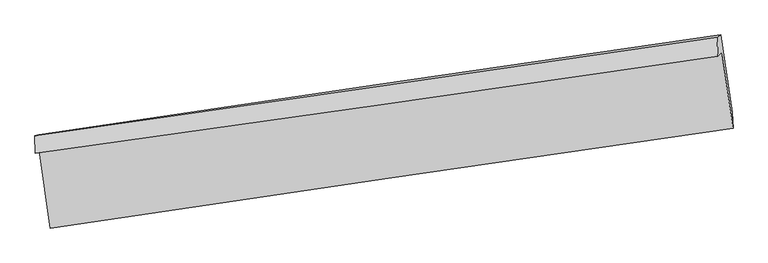
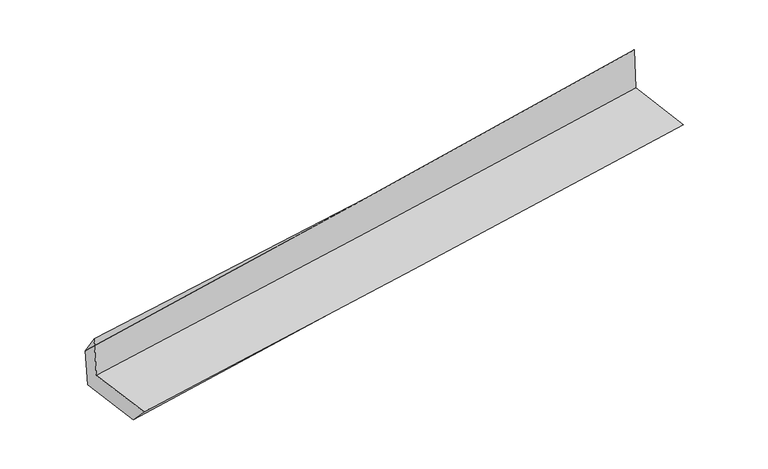
"""IFC4 building model written with IfcOpenShell, lengths in millimetres: proxy geometry."""

from ifc_helpers import new_model, si_unit, frame, origin, place, context, project, spatial, source, transform, mapped, element, save
from ifc_brep_helpers import plane_surface, spline_curve, spline_surface, advanced_brep


def generic_models_5a805a98(model_context):
    return source(origin(), model_context, "Body", "AdvancedBrep", [
        advanced_brep(
        [(-3004.9105827, -1927.7163967, 1682.3906467), (-2909.5816802, -2600.4557892, 1667.946711), (3052.6409436, -1729.7558387, 2124.2348371), (2955.6109431, -1064.8209343, 2148.2404916), (-3040.6240946, -1949.4443951, 2101.3916163), (2919.5358536, -1099.7557136, 2591.4737067), (-3041.8253599, -1794.8316377, 1880.795532), (2912.6545899, -934.7445415, 2411.7666268), (-3007.6733166, -1784.406035, 1495.7543322), (2945.0771713, -915.0187358, 2031.3757789), (-2917.0069398, -2421.1093962, 1477.2844499), (3043.2744753, -1591.0330859, 2011.8223477)],
        [
            (0, 1),
            (1, 2, spline_curve(3, [(-2909.5816802, -2600.4557892, 1667.946711), (-1915.306921592, -2453.638735548, 1734.759001901), (-921.288984158, -2307.667739031, 1806.191619807), (1066.11849748, -2017.434617704, 1958.288728876), (2059.508101467, -1873.172297331, 2038.95215265), (3052.6409436, -1729.7558387, 2124.2348371)], [4, 2, 4], [0.0, 9.911546704433293, 19.821948911778186])),
            (2, 3),
            (3, 0, spline_curve(3, [(2955.6109431, -1064.8209343, 2148.2404916), (1962.927977729, -1210.123301178, 2064.585541491), (969.905066961, -1354.678331, 1983.939313688), (-1016.935362898, -1642.310324349, 1828.65533739), (-2010.752961064, -1785.387115301, 1754.018283168), (-3004.9105827, -1927.7163967, 1682.3906467)], [4, 2, 4], [0.0, 9.910402207344893, 19.821948911778186])),
            (4, 0),
            (3, 5),
            (5, 4, spline_curve(3, [(2919.5358536, -1099.7557136, 2591.4737067), (1929.471051029, -1244.656704709, 2478.823276046), (937.787425063, -1387.910597063, 2381.659350313), (-1048.932183824, -1671.140538316, 2218.295076217), (-2043.96854078, -1811.116206259, 2152.098305336), (-3040.6240946, -1949.4443951, 2101.3916163)], [4, 2, 4], [0.0, 9.908846988853814, 19.818838295192517])),
            (6, 4),
            (5, 7),
            (7, 6, spline_curve(3, [(2912.6545899, -934.7445415, 2411.7666268), (1920.400587593, -1078.734201131, 2322.260469612), (928.095577188, -1222.398836209, 2233.262325532), (-1056.73106065, -1509.094610083, 2056.271843036), (-2049.252700367, -1652.125673836, 1968.279622385), (-3041.8253599, -1794.8316377, 1880.795532)], [4, 2, 4], [0.0, 9.90787555150996, 19.816895308318927])),
            (8, 6),
            (7, 9),
            (9, 8, spline_curve(3, [(2945.0771713, -915.0187358, 2031.3757789), (1952.514910166, -1057.470837695, 1942.879954875), (960.199866979, -1201.141576651, 1853.999521883), (-1024.05035276, -1490.937061815, 1675.459128395), (-2015.985471902, -1637.062088871, 1585.799079339), (-3007.6733166, -1784.406035, 1495.7543322)], [4, 2, 4], [0.0, 9.907037121977012, 19.81521835242748])),
            (10, 8),
            (9, 11),
            (11, 10, spline_curve(3, [(3043.2744753, -1591.0330859, 2011.8223477), (2049.898317656, -1730.233468545, 1923.373577121), (1056.548797614, -1869.002716551, 1834.606956945), (-930.211680334, -2145.694919347, 1656.427731386), (-1923.622631925, -2283.617774724, 1567.015051955), (-2917.0069398, -2421.1093962, 1477.2844499)], [4, 2, 4], [0.0, 9.908494120454455, 19.818132517642994])),
            (1, 10),
            (11, 2),
        ],
        [
            spline_surface(3, 3, [[(-3004.9105827, -1927.7163967, 1682.3906467), (-2010.752960934, -1785.387115345, 1754.018283311), (-1016.935363003, -1642.310324393, 1828.655337243), (969.905067066, -1354.678330955, 1983.939313834), (1962.927977755, -1210.12330114, 2064.585541543), (2955.6109431, -1064.8209343, 2148.2404916)], [(-2973.134281867, -2151.962860854, 1677.576001461), (-1978.937614535, -2008.137655442, 1747.598522787), (-985.05323677, -1864.096129278, 1821.167431443), (1001.976210588, -1575.597093167, 1975.389118837), (1995.121352328, -1431.139633224, 2056.041078622), (2987.954276588, -1286.465902435, 2140.238606764)], [(-2941.357981033, -2376.209325046, 1672.761356239), (-1947.122268135, -2230.888195577, 1741.17876228), (-953.171110541, -2085.881934211, 1813.679525642), (1034.047354107, -1796.515855427, 1966.838923839), (2027.314726938, -1652.155965305, 2047.496615709), (3020.297610112, -1508.110870565, 2132.236721936)], [(-2909.5816802, -2600.4557892, 1667.946711), (-1915.306921736, -2453.638735674, 1734.759001755), (-921.288984308, -2307.667739096, 1806.191619842), (1066.11849763, -2017.434617639, 1958.288728842), (2059.508101512, -1873.172297389, 2038.952152789), (3052.6409436, -1729.7558387, 2124.2348371)]], [4, 4], [4, 2, 4], [0.0, 2.202694867471025], [0.0, 9.911546704433293, 19.821948911778186]),
            spline_surface(3, 3, [[(-3040.6240946, -1949.4443951, 2101.3916163), (-2043.968540691, -1811.116206243, 2152.098305262), (-1048.932183777, -1671.14053816, 2218.295076311), (937.787425016, -1387.910597219, 2381.659350219), (1929.471050878, -1244.656704784, 2478.823275968), (2919.5358536, -1099.7557136, 2591.4737067)], [(-3028.719590636, -1942.201728984, 1961.724626441), (-2032.896680775, -1802.539842628, 2019.404964619), (-1038.266576863, -1661.530466907, 2088.415163288), (948.493305688, -1376.833175133, 2249.086004757), (1940.623359846, -1233.145570228, 2340.744031163), (2931.560883442, -1088.110787159, 2443.72930167)], [(-3016.815086664, -1934.959062816, 1822.057636559), (-2021.82482085, -1793.96347896, 1886.711623954), (-1027.600969916, -1651.920395647, 1958.535250266), (959.199186394, -1365.755753041, 2116.512659296), (1951.775668787, -1221.634435695, 2202.664786347), (2943.585913258, -1076.465860741, 2295.98489663)], [(-3004.9105827, -1927.7163967, 1682.3906467), (-2010.752960934, -1785.387115345, 1754.018283311), (-1016.935363003, -1642.310324393, 1828.655337243), (969.905067066, -1354.678330955, 1983.939313834), (1962.927977755, -1210.12330114, 2064.585541543), (2955.6109431, -1064.8209343, 2148.2404916)]], [4, 4], [4, 2, 4], [0.0, 1.2998672529997746], [0.0, 9.909991306338704, 19.818838295192517]),
            spline_surface(3, 3, [[(-3041.8253599, -1794.8316377, 1880.795532), (-2049.25270046, -1652.125673816, 1968.279622523), (-1056.731060799, -1509.094610041, 2056.271843157), (928.095577336, -1222.398836251, 2233.262325411), (1920.400587641, -1078.734201256, 2322.260469752), (2912.6545899, -934.7445415, 2411.7666268)], [(-3041.424938134, -1846.369223499, 1954.327560085), (-2047.491313872, -1705.122517957, 2029.552516754), (-1054.131435136, -1563.109919433, 2110.279587535), (931.326193218, -1277.56942326, 2282.72800034), (1923.42407538, -1134.041702422, 2374.44807183), (2914.94834446, -989.748265523, 2471.668986772)], [(-3041.024516366, -1897.906809301, 2027.859588215), (-2045.72992728, -1758.119362102, 2090.825411031), (-1051.53180944, -1617.125228768, 2164.287331933), (934.556809133, -1332.74001021, 2332.19367529), (1926.447563139, -1189.349203618, 2426.635673891), (2917.24209904, -1044.751989577, 2531.571346728)], [(-3040.6240946, -1949.4443951, 2101.3916163), (-2043.968540691, -1811.116206243, 2152.098305262), (-1048.932183777, -1671.14053816, 2218.295076311), (937.787425016, -1387.910597219, 2381.659350219), (1929.471050878, -1244.656704784, 2478.823275968), (2919.5358536, -1099.7557136, 2591.4737067)]], [4, 4], [4, 2, 4], [0.0, 0.7408478815853208], [0.0, 9.909019756808966, 19.816895308318927]),
            spline_surface(3, 3, [[(-3007.6733166, -1784.406035, 1495.7543322), (-2015.985472044, -1637.062089003, 1585.799079359), (-1024.050352773, -1490.937061695, 1675.459128436), (960.199866992, -1201.141576771, 1853.999521842), (1952.514910297, -1057.470837694, 1942.879954978), (2945.0771713, -915.0187358, 2031.3757789)], [(-3019.057331009, -1787.881235874, 1624.101398818), (-2027.074548159, -1642.083283915, 1713.292593765), (-1034.943922102, -1496.989577801, 1802.396700016), (949.498437119, -1208.227329922, 1980.420456371), (1941.810136058, -1064.558625548, 2069.340126557), (2934.269644146, -921.594004366, 2158.172728187)], [(-3030.441345491, -1791.356436826, 1752.448465382), (-2038.163624346, -1647.104478905, 1840.786108118), (-1045.83749147, -1503.042093935, 1929.334271577), (938.797007209, -1215.3130831, 2106.841390882), (1931.10536188, -1071.646413403, 2195.800298174), (2923.462117054, -928.169272934, 2284.969677513)], [(-3041.8253599, -1794.8316377, 1880.795532), (-2049.25270046, -1652.125673816, 1968.279622523), (-1056.731060799, -1509.094610041, 2056.271843157), (928.095577336, -1222.398836251, 2233.262325411), (1920.400587641, -1078.734201256, 2322.260469752), (2912.6545899, -934.7445415, 2411.7666268)]], [4, 4], [4, 2, 4], [0.0, 1.253033538352975], [0.0, 9.908181230450467, 19.81521835242748]),
            spline_surface(3, 3, [[(-2917.0069398, -2421.1093962, 1477.2844499), (-1923.622631964, -2283.617774829, 1567.015051829), (-930.211680292, -2145.694919469, 1656.427731251), (1056.548797571, -1869.002716429, 1834.60695708), (2049.898317578, -1730.233468401, 1923.373576965), (3043.2744753, -1591.0330859, 2011.8223477)], [(-2947.229065405, -2208.874942465, 1483.441077316), (-1954.41024533, -2068.099212886, 1573.276394322), (-961.491237791, -1927.442300217, 1662.771530319), (1024.432487373, -1646.382336549, 1841.07114534), (2017.43718183, -1505.979258179, 1929.875702982), (3010.542040646, -1365.694969213, 2018.340158113)], [(-2977.451190995, -1996.640488735, 1489.597704784), (-1985.197858679, -1852.580650946, 1579.537736866), (-992.770795274, -1709.189680947, 1669.115329369), (992.31617719, -1423.761956651, 1847.535333582), (1984.976046045, -1281.725047916, 1936.377828961), (2977.809605954, -1140.356852487, 2024.857968487)], [(-3007.6733166, -1784.406035, 1495.7543322), (-2015.985472044, -1637.062089003, 1585.799079359), (-1024.050352773, -1490.937061695, 1675.459128436), (960.199866992, -1201.141576771, 1853.999521842), (1952.514910297, -1057.470837694, 1942.879954978), (2945.0771713, -915.0187358, 2031.3757789)]], [4, 4], [4, 2, 4], [0.0, 2.192870670026762], [0.0, 9.90963839718854, 19.818132517642994]),
            spline_surface(3, 3, [[(-2909.5816802, -2600.4557892, 1667.946711), (-1915.306921736, -2453.638735674, 1734.759001755), (-921.288984308, -2307.667739096, 1806.191619842), (1066.11849763, -2017.434617639, 1958.288728842), (2059.508101512, -1873.172297389, 2038.952152789), (3052.6409436, -1729.7558387, 2124.2348371)], [(-2912.056766748, -2540.673658224, 1604.39262398), (-1918.07882516, -2396.965082083, 1678.844351793), (-924.263216289, -2253.676799218, 1756.27032364), (1062.928597624, -1967.957317234, 1917.061471583), (2056.304840218, -1825.526021063, 2000.42596084), (3049.518787518, -1683.514921104, 2086.764007292)], [(-2914.531853252, -2480.891527176, 1540.83853692), (-1920.85072854, -2340.291428421, 1622.929701791), (-927.23744831, -2199.685859346, 1706.349027453), (1059.738697578, -1918.480016834, 1875.834214339), (2053.101578872, -1777.879744726, 1961.899768914), (3046.396631382, -1637.274003496, 2049.293177508)], [(-2917.0069398, -2421.1093962, 1477.2844499), (-1923.622631964, -2283.617774829, 1567.015051829), (-930.211680292, -2145.694919469, 1656.427731251), (1056.548797571, -1869.002716429, 1834.60695708), (2049.898317578, -1730.233468401, 1923.373576965), (3043.2744753, -1591.0330859, 2011.8223477)]], [4, 4], [4, 2, 4], [0.0, 0.6792768923076471], [0.0, 9.911929117209251, 19.82271369317248]),
            plane_surface(frame((2971.4656628, -1222.5214749, 2219.8189648), z_axis=(0.9858514830547832, 0.14056266104728607, 0.09131807968847364), x_axis=(-0.08481383699273529, -0.05160049551159565, 0.995059798161662))),
            plane_surface(frame((-2986.9369956, -2079.6606083, 1717.5938813), z_axis=(-0.9862520851035289, -0.1377961754157797, -0.09120876421553652), x_axis=(-0.1402692879146289, 0.9898852610209209, 0.021253161681649684))),
        ],
        [
            (0, [[1, 2, 3, 4]]),
            (1, [[5, -4, 6, 7]]),
            (2, [[8, -7, 9, 10]]),
            (3, [[11, -10, 12, 13]]),
            (4, [[14, -13, 15, 16]]),
            (5, [[17, -16, 18, -2]]),
            (6, [[-12, -9, -6, -3, -18, -15]]),
            (7, [[-1, -5, -8, -11, -14, -17]]),
        ],
    ),
    ])


if __name__ == "__main__":
    model = new_model("IFC4")
    model_context = context("Model", 3, world=origin())
    ifc_project = project(units=[si_unit("LENGTHUNIT", "METRE", prefix="MILLI")], contexts=[model_context])
    site = spatial("IfcSite", under=ifc_project)
    building = spatial("IfcBuilding", under=site)
    placement = place(None, origin())
    generic_models_shape = generic_models_5a805a98(model_context)
    element("IfcBuildingElementProxy", 1, Name="Generic Models", at=placement, inside=building, context=model_context, shape_type="MappedRepresentation", body=[
        mapped(generic_models_shape, transform((0.0, 0.0, 0.0), x_axis=(1.0, 0.0, 0.0), y_axis=(0.0, 1.0, 0.0), z_axis=(0.0, 0.0, 1.0))),
    ])
    save(model, "model.ifc")
